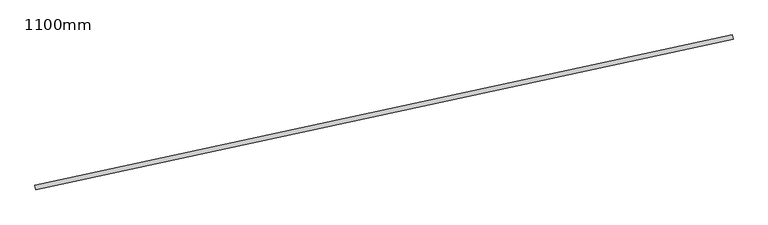
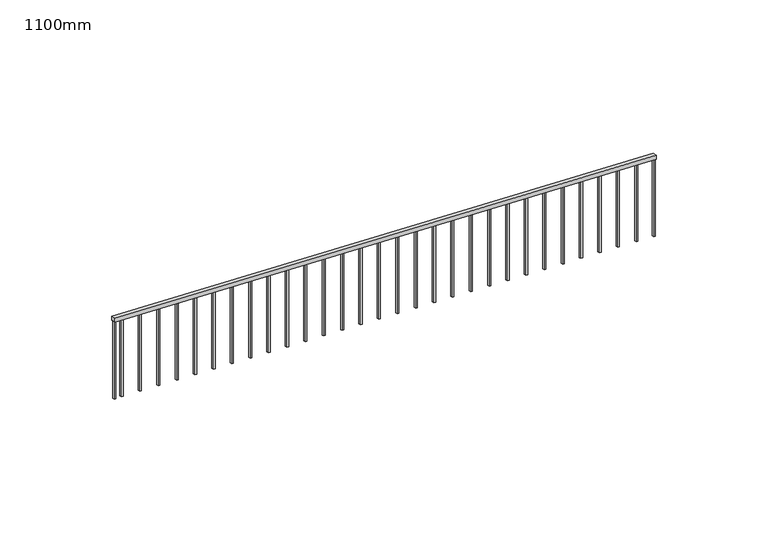
"""IFC4 building model written with IfcOpenShell, lengths in millimetres: railing geometry, 1100mm."""

import ifcopenshell
import ifcopenshell.guid

model = None  # the IFC model being written
_history = None  # IfcOwnerHistory: only IFC2X3 demands one
_inside = {}  # id of a spatial element -> (the spatial element, [elements in it])
_under = {}  # id of a project, library or spatial element -> (it, [spatial elements below it])
_declared = {}  # id of a project -> (the project, [libraries it declares])
_typed = {}  # id of a type object -> (the type object, [elements of that type])
_made_of = {}  # id of a material, layer set ... -> (it, [elements and type objects made of it])


def new_model(schema):
    """Start an empty IFC model of exactly this schema.

    Asked for "IFC4X3", IfcOpenShell would pick the latest addendum, in which some entities
    have other attributes; the version numbers below select the first issue.
    IFC2X3 requires an IfcOwnerHistory on every rooted entity: one is made here for all.
    """
    global model, _history
    if schema == "IFC4X3":
        model = ifcopenshell.file(schema_version=(4, 3, 0, 0))
    else:
        model = ifcopenshell.file(schema=schema)
    _inside.clear()
    _under.clear()
    _declared.clear()
    _typed.clear()
    _made_of.clear()
    _history = None
    if model.schema == "IFC2X3":
        org = make("IfcOrganization", Name="unknown")
        user = make(
            "IfcPersonAndOrganization",
            ThePerson=make("IfcPerson", FamilyName="unknown"),
            TheOrganization=org,
        )
        app = make(
            "IfcApplication",
            ApplicationDeveloper=org,
            Version="unknown",
            ApplicationFullName="unknown",
            ApplicationIdentifier="unknown",
        )
        _history = make(
            "IfcOwnerHistory",
            OwningUser=user,
            OwningApplication=app,
            ChangeAction="ADDED",
            CreationDate=0,
        )
    return model


def make(cls, **values):
    """One entity of the class cls with the attributes given. An attribute that is None is left unset."""
    return model.create_entity(
        cls, **{name: value for name, value in values.items() if value is not None}
    )


def rooted(cls, **values):
    """An entity with a GlobalId (a new one), such as an element, a storey or a relation."""
    return make(cls, GlobalId=ifcopenshell.guid.new(), OwnerHistory=_history, **values)


def si_unit(unit_type, name, prefix=None):
    """IfcSIUnit, for example si_unit("LENGTHUNIT", "METRE", prefix="MILLI")."""
    return make("IfcSIUnit", UnitType=unit_type, Prefix=prefix, Name=name)


def assignment(units):
    """IfcUnitAssignment: the units of a project."""
    return None if units is None else make("IfcUnitAssignment", Units=units)


def point(xyz):
    """IfcCartesianPoint."""
    return None if xyz is None else make("IfcCartesianPoint", Coordinates=xyz)


def direction(xyz):
    """IfcDirection."""
    return None if xyz is None else make("IfcDirection", DirectionRatios=xyz)


def frame(location, z_axis=None, x_axis=None):
    """IfcAxis2Placement3D, a coordinate frame: its origin and axes. An axis left out is left unset."""
    return make(
        "IfcAxis2Placement3D",
        Location=point(location),
        Axis=direction(z_axis),
        RefDirection=direction(x_axis),
    )


def origin():
    """The frame at (0, 0, 0) with its axes left unset."""
    return frame((0.0, 0.0, 0.0))


def place(relative_to, where):
    """IfcLocalPlacement: puts the frame where relative to a parent placement (None: the world)."""
    return make(
        "IfcLocalPlacement", PlacementRelTo=relative_to, RelativePlacement=where
    )


def context(
    kind, dimensions, precision=None, world=None, true_north=None, identifier=None
):
    """IfcGeometricRepresentationContext, for example the 3D "Model" context."""
    return make(
        "IfcGeometricRepresentationContext",
        ContextIdentifier=identifier,
        ContextType=kind,
        CoordinateSpaceDimension=dimensions,
        Precision=precision,
        WorldCoordinateSystem=world,
        TrueNorth=true_north,
    )


def project(units=None, contexts=None):
    """IfcProject with its units and contexts."""
    return rooted(
        "IfcProject",
        Name="project",
        RepresentationContexts=contexts,
        UnitsInContext=assignment(units),
    )


def spatial(cls, under=None, at=None, **own):
    """A site, building, storey or space (cls), placed at a placement, below another one or the project."""
    s = rooted(cls, ObjectPlacement=at, **own)
    if under is not None:
        _under.setdefault(under.id(), (under, []))[1].append(s)
    return s


def polyline(points):
    """IfcPolyline through the points."""
    return make("IfcPolyline", Points=[point(p) for p in points])


def outline(outer, holes=None, kind="AREA"):
    """IfcArbitraryClosedProfileDef: a profile drawn as a closed curve; with holes, ...WithVoids."""
    if holes is None:
        return make("IfcArbitraryClosedProfileDef", ProfileType=kind, OuterCurve=outer)
    return make(
        "IfcArbitraryProfileDefWithVoids",
        ProfileType=kind,
        OuterCurve=outer,
        InnerCurves=holes,
    )


def extrude(swept, where, along, depth):
    """IfcExtrudedAreaSolid: the profile swept, set in the frame where, extruded along a direction by depth."""
    return make(
        "IfcExtrudedAreaSolid",
        SweptArea=swept,
        Position=where,
        ExtrudedDirection=direction(along),
        Depth=depth,
    )


def shape(context_of_items, identifier, shape_type, items):
    """IfcShapeRepresentation: the items that make up one representation, for example the "Body"."""
    return make(
        "IfcShapeRepresentation",
        ContextOfItems=context_of_items,
        RepresentationIdentifier=identifier,
        RepresentationType=shape_type,
        Items=items,
    )


def source(mapping_origin, context_of_items, identifier, shape_type, items):
    """IfcRepresentationMap: a shape defined once, which mapped items show again and again."""
    return make(
        "IfcRepresentationMap",
        MappingOrigin=mapping_origin,
        MappedRepresentation=shape(context_of_items, identifier, shape_type, items),
    )


def transform(
    local_origin,
    x_axis=None,
    y_axis=None,
    z_axis=None,
    scale=None,
    scale2=None,
    scale3=None,
    uniform=True,
):
    """IfcCartesianTransformationOperator3D, or its non-uniform kind. x_axis, y_axis, z_axis: its Axis1, 2, 3."""
    if uniform:
        return make(
            "IfcCartesianTransformationOperator3D",
            Axis1=direction(x_axis),
            Axis2=direction(y_axis),
            LocalOrigin=point(local_origin),
            Scale=scale,
            Axis3=direction(z_axis),
        )
    return make(
        "IfcCartesianTransformationOperator3DnonUniform",
        Axis1=direction(x_axis),
        Axis2=direction(y_axis),
        LocalOrigin=point(local_origin),
        Scale=scale,
        Axis3=direction(z_axis),
        Scale2=scale2,
        Scale3=scale3,
    )


def mapped(mapping_source, mapping_target):
    """IfcMappedItem: shows the shape of a source again, moved by a transform."""
    return make(
        "IfcMappedItem", MappingSource=mapping_source, MappingTarget=mapping_target
    )


def made_of(thing, what):
    """Note that an element or type object is made of a material, layer set ...; save() writes the relation."""
    if what is not None:
        _made_of.setdefault(what.id(), (what, []))[1].append(thing)
    return thing


def element(
    cls,
    number,
    at=None,
    inside=None,
    cuts=None,
    type_object=None,
    material=None,
    context=None,
    identifier="Body",
    shape_type=None,
    held_by="IfcProductDefinitionShape",
    body=None,
    shapes=None,
    **own,
):
    """One element of the class cls, such as IfcWall. Its Tag is "e" and its number.

    at: its placement. inside: the storey or other place that contains it. cuts: it is an
    opening in that element (IfcRelVoidsElement). A single representation is given by context,
    identifier, shape_type and body (its items); several are given by shapes. held_by: the class
    of the entity that holds the representations. save() writes the other relations.
    """
    e = rooted(cls, Tag="e%d" % number, ObjectPlacement=at, **own)
    if body is not None:
        shapes = [shape(context, identifier, shape_type, body)]
    if shapes is not None:
        e.Representation = make(held_by, Representations=shapes)
    if inside is not None:
        _inside.setdefault(inside.id(), (inside, []))[1].append(e)
    if cuts is not None:
        rooted(
            "IfcRelVoidsElement", RelatingBuildingElement=cuts, RelatedOpeningElement=e
        )
    if type_object is not None:
        _typed.setdefault(type_object.id(), (type_object, []))[1].append(e)
    return made_of(e, material)


def aggregate(whole, parts):
    """IfcRelAggregates: a whole, such as a stair, and the parts it consists of."""
    return rooted("IfcRelAggregates", RelatingObject=whole, RelatedObjects=parts)


def save(model, path):
    """Write the relations noted so far, then the file.

    IfcRelAggregates (storeys below a building ...), IfcRelContainedInSpatialStructure (elements
    in a storey), IfcRelDefinesByType, IfcRelAssociatesMaterial and IfcRelDeclares: one each for
    every whole, place, type object, material and project.
    """
    for whole, parts in _under.values():
        aggregate(whole, parts)
    for where, things in _inside.values():
        rooted(
            "IfcRelContainedInSpatialStructure",
            RelatedElements=things,
            RelatingStructure=where,
        )
    for kind, things in _typed.values():
        rooted("IfcRelDefinesByType", RelatedObjects=things, RelatingType=kind)
    for what, things in _made_of.values():
        rooted("IfcRelAssociatesMaterial", RelatedObjects=things, RelatingMaterial=what)
    for by, libraries in _declared.values():
        rooted("IfcRelDeclares", RelatingContext=by, RelatedDefinitions=libraries)
    model.write(path)


def railing_1100mm_6fff1bbd(model_context):
    return source(origin(), model_context, "Body", "SweptSolid", [
        extrude(outline(polyline([(-9.8811033, -50.0), (0.0, 0.0), (8252.845352, 0.0), (8242.9642487, -50.0), (-9.8811033, -50.0)])), frame((18748.9415188, -108276.2511902, 1100.0), z_axis=(-0.2108447113192484, 0.9775195689645823, 0.0), x_axis=(-0.9589728250154597, -0.20684429741653046, 0.19387252901876165)), (0.0, 0.0, 1.0), 50.0),
        extrude(outline(polyline([(102.4702758, 0.0), (97.5297242, 25.0), (1146.5627132, 25.0), (1151.5032649, 0.0), (102.4702758, 0.0)])), frame((10962.806392, -109942.8832095, 2725.0689661), z_axis=(-0.21084471131924798, 0.9775195689645826, 0.0), x_axis=(0.0, 0.0, -1.0)), (0.0, 0.0, 1.0), 25.0),
        extrude(outline(polyline([(102.4702758, 0.0), (97.5297241, 25.0), (1146.5627132, 25.0), (1151.5032649, 0.0), (102.4702758, 0.0)])), frame((11231.6242735, -109884.9009138, 2670.7228979), z_axis=(-0.21084471131924798, 0.9775195689645826, 0.0), x_axis=(0.0, 0.0, -1.0)), (0.0, 0.0, 1.0), 25.0),
        extrude(outline(polyline([(102.4702759, 0.0), (97.5297242, 25.0000001), (1146.5627133, 25.0000001), (1151.5032649, 0.0), (102.4702759, 0.0)])), frame((11500.442155, -109826.9186182, 2616.3768298), z_axis=(-0.21084471131924798, 0.9775195689645826, 0.0), x_axis=(0.0, 0.0, -1.0)), (0.0, 0.0, 1.0), 25.0),
        extrude(outline(polyline([(102.4702758, 0.0), (97.5297242, 25.0), (1146.5627133, 25.0), (1151.5032649, 0.0), (102.4702758, 0.0)])), frame((11769.2600364, -109768.9363226, 2562.0307616), z_axis=(-0.21084471131924798, 0.9775195689645826, 0.0), x_axis=(0.0, 0.0, -1.0)), (0.0, 0.0, 1.0), 25.0),
        extrude(outline(polyline([(102.4702758, 0.0), (97.5297242, 25.0), (1146.5627132, 25.0), (1151.5032649, 0.0), (102.4702758, 0.0)])), frame((12038.0779179, -109710.954027, 2507.6846934), z_axis=(-0.21084471131924798, 0.9775195689645826, 0.0), x_axis=(0.0, 0.0, -1.0)), (0.0, 0.0, 1.0), 25.0),
        extrude(outline(polyline([(102.4702758, 0.0), (97.5297241, 25.0000001), (1146.5627132, 25.0000001), (1151.5032649, 0.0), (102.4702758, 0.0)])), frame((12306.8957994, -109652.9717314, 2453.3386252), z_axis=(-0.21084471131924798, 0.9775195689645826, 0.0), x_axis=(0.0, 0.0, -1.0)), (0.0, 0.0, 1.0), 25.0),
        extrude(outline(polyline([(102.4702759, 0.0), (97.5297242, 25.0), (1146.5627133, 25.0), (1151.5032649, 0.0), (102.4702759, 0.0)])), frame((12575.7136808, -109594.9894358, 2398.9925571), z_axis=(-0.21084471131924798, 0.9775195689645826, 0.0), x_axis=(0.0, 0.0, -1.0)), (0.0, 0.0, 1.0), 25.0),
        extrude(outline(polyline([(102.4702758, 0.0), (97.5297242, 25.0), (1146.5627132, 25.0), (1151.5032649, 0.0), (102.4702758, 0.0)])), frame((12844.5315623, -109537.0071402, 2344.6464889), z_axis=(-0.21084471131924798, 0.9775195689645826, 0.0), x_axis=(0.0, 0.0, -1.0)), (0.0, 0.0, 1.0), 25.0),
        extrude(outline(polyline([(102.4702758, 0.0), (97.5297241, 25.0000001), (1146.5627132, 25.0000001), (1151.5032649, 0.0), (102.4702758, 0.0)])), frame((13113.3494438, -109479.0248446, 2290.3004207), z_axis=(-0.21084471131924798, 0.9775195689645826, 0.0), x_axis=(0.0, 0.0, -1.0)), (0.0, 0.0, 1.0), 25.0),
        extrude(outline(polyline([(102.4702759, 0.0), (97.5297242, 25.0), (1146.5627133, 25.0), (1151.5032649, 0.0), (102.4702759, 0.0)])), frame((13382.1673252, -109421.0425489, 2235.9543526), z_axis=(-0.21084471131924798, 0.9775195689645826, 0.0), x_axis=(0.0, 0.0, -1.0)), (0.0, 0.0, 1.0), 25.0),
        extrude(outline(polyline([(102.4702758, 0.0), (97.5297242, 25.0), (1146.5627133, 25.0), (1151.5032649, 0.0), (102.4702758, 0.0)])), frame((13650.9852067, -109363.0602533, 2181.6082844), z_axis=(-0.21084471131924798, 0.9775195689645826, 0.0), x_axis=(0.0, 0.0, -1.0)), (0.0, 0.0, 1.0), 25.0),
        extrude(outline(polyline([(102.4702758, 0.0), (97.5297242, 25.0000001), (1146.5627132, 25.0000001), (1151.5032649, 0.0), (102.4702758, 0.0)])), frame((13919.8030882, -109305.0779577, 2127.2622162), z_axis=(-0.21084471131924798, 0.9775195689645826, 0.0), x_axis=(0.0, 0.0, -1.0)), (0.0, 0.0, 1.0), 25.0),
        extrude(outline(polyline([(102.4702758, 0.0), (97.5297241, 25.0), (1146.5627132, 25.0), (1151.5032649, 0.0), (102.4702758, 0.0)])), frame((14188.6209696, -109247.0956621, 2072.916148), z_axis=(-0.21084471131924798, 0.9775195689645826, 0.0), x_axis=(0.0, 0.0, -1.0)), (0.0, 0.0, 1.0), 25.0),
        extrude(outline(polyline([(102.4702759, 0.0), (97.5297242, 25.0), (1146.5627133, 25.0), (1151.5032649, 0.0), (102.4702759, 0.0)])), frame((14457.4388511, -109189.1133665, 2018.5700799), z_axis=(-0.21084471131924798, 0.9775195689645826, 0.0), x_axis=(0.0, 0.0, -1.0)), (0.0, 0.0, 1.0), 25.0),
        extrude(outline(polyline([(102.4702758, 0.0), (97.5297242, 25.0000001), (1146.5627133, 25.0000001), (1151.5032649, 0.0), (102.4702758, 0.0)])), frame((14726.2567326, -109131.1310709, 1964.2240117), z_axis=(-0.21084471131924798, 0.9775195689645826, 0.0), x_axis=(0.0, 0.0, -1.0)), (0.0, 0.0, 1.0), 25.0),
        extrude(outline(polyline([(102.4702758, 0.0), (97.5297242, 25.0), (1146.5627132, 25.0), (1151.5032649, 0.0), (102.4702758, 0.0)])), frame((14995.074614, -109073.1487753, 1909.8779435), z_axis=(-0.21084471131924798, 0.9775195689645826, 0.0), x_axis=(0.0, 0.0, -1.0)), (0.0, 0.0, 1.0), 25.0),
        extrude(outline(polyline([(102.4702758, 0.0), (97.5297241, 25.0), (1146.5627132, 25.0), (1151.5032649, 0.0), (102.4702758, 0.0)])), frame((15263.8924955, -109015.1664796, 1855.5318753), z_axis=(-0.21084471131924798, 0.9775195689645826, 0.0), x_axis=(0.0, 0.0, -1.0)), (0.0, 0.0, 1.0), 25.0),
        extrude(outline(polyline([(102.4702759, 0.0), (97.5297242, 25.0000001), (1146.5627133, 25.0000001), (1151.5032649, 0.0), (102.4702759, 0.0)])), frame((15532.710377, -108957.184184, 1801.1858072), z_axis=(-0.21084471131924798, 0.9775195689645826, 0.0), x_axis=(0.0, 0.0, -1.0)), (0.0, 0.0, 1.0), 25.0),
        extrude(outline(polyline([(102.4702758, 0.0), (97.5297242, 25.0), (1146.5627133, 25.0), (1151.5032649, 0.0), (102.4702758, 0.0)])), frame((15801.5282584, -108899.2018884, 1746.839739), z_axis=(-0.21084471131924798, 0.9775195689645826, 0.0), x_axis=(0.0, 0.0, -1.0)), (0.0, 0.0, 1.0), 25.0),
        extrude(outline(polyline([(102.4702758, 0.0), (97.5297242, 25.0), (1146.5627132, 25.0), (1151.5032649, 0.0), (102.4702758, 0.0)])), frame((16070.3461399, -108841.2195928, 1692.4936708), z_axis=(-0.21084471131924798, 0.9775195689645826, 0.0), x_axis=(0.0, 0.0, -1.0)), (0.0, 0.0, 1.0), 25.0),
        extrude(outline(polyline([(102.4702758, 0.0), (97.5297241, 25.0), (1146.5627132, 25.0), (1151.5032649, 0.0), (102.4702758, 0.0)])), frame((16339.1640213, -108783.2372972, 1638.1476026), z_axis=(-0.21084471131924798, 0.9775195689645826, 0.0), x_axis=(0.0, 0.0, -1.0)), (0.0, 0.0, 1.0), 25.0),
        extrude(outline(polyline([(102.4702759, 0.0), (97.5297242, 25.0), (1146.5627133, 25.0), (1151.5032649, 0.0), (102.4702759, 0.0)])), frame((16607.9819028, -108725.2550016, 1583.8015345), z_axis=(-0.21084471131924798, 0.9775195689645826, 0.0), x_axis=(0.0, 0.0, -1.0)), (0.0, 0.0, 1.0), 25.0),
        extrude(outline(polyline([(102.4702758, 0.0), (97.5297242, 25.0), (1146.5627133, 25.0), (1151.5032649, 0.0), (102.4702758, 0.0)])), frame((16876.7997843, -108667.272706, 1529.4554663), z_axis=(-0.21084471131924798, 0.9775195689645826, 0.0), x_axis=(0.0, 0.0, -1.0)), (0.0, 0.0, 1.0), 25.0),
        extrude(outline(polyline([(102.4702758, 0.0), (97.5297242, 25.0), (1146.5627132, 25.0), (1151.5032649, 0.0), (102.4702758, 0.0)])), frame((17145.6176657, -108609.2904104, 1475.1093981), z_axis=(-0.21084471131924798, 0.9775195689645826, 0.0), x_axis=(0.0, 0.0, -1.0)), (0.0, 0.0, 1.0), 25.0),
        extrude(outline(polyline([(102.4702758, 0.0), (97.5297241, 25.0), (1146.5627132, 25.0), (1151.5032649, 0.0), (102.4702758, 0.0)])), frame((17414.4355472, -108551.3081147, 1420.7633299), z_axis=(-0.21084471131924798, 0.9775195689645826, 0.0), x_axis=(0.0, 0.0, -1.0)), (0.0, 0.0, 1.0), 25.0),
        extrude(outline(polyline([(102.4702759, 0.0), (97.5297242, 25.0000001), (1146.5627133, 25.0000001), (1151.5032649, 0.0), (102.4702759, 0.0)])), frame((17683.2534287, -108493.3258191, 1366.4172618), z_axis=(-0.21084471131924798, 0.9775195689645826, 0.0), x_axis=(0.0, 0.0, -1.0)), (0.0, 0.0, 1.0), 25.0),
        extrude(outline(polyline([(102.4702758, 0.0), (97.5297242, 25.0), (1146.5627133, 25.0), (1151.5032649, 0.0), (102.4702758, 0.0)])), frame((17952.0713101, -108435.3435235, 1312.0711936), z_axis=(-0.21084471131924798, 0.9775195689645826, 0.0), x_axis=(0.0, 0.0, -1.0)), (0.0, 0.0, 1.0), 25.0),
        extrude(outline(polyline([(102.4702758, 0.0), (97.5297242, 25.0), (1146.5627132, 25.0), (1151.5032649, 0.0), (102.4702758, 0.0)])), frame((18220.8891916, -108377.3612279, 1257.7251254), z_axis=(-0.21084471131924798, 0.9775195689645826, 0.0), x_axis=(0.0, 0.0, -1.0)), (0.0, 0.0, 1.0), 25.0),
        extrude(outline(polyline([(102.4702758, 0.0), (97.5297241, 25.0000001), (1146.5627132, 25.0000001), (1151.5032649, 0.0), (102.4702758, 0.0)])), frame((18489.7070731, -108319.3789323, 1203.3790572), z_axis=(-0.21084471131924798, 0.9775195689645826, 0.0), x_axis=(0.0, 0.0, -1.0)), (0.0, 0.0, 1.0), 25.0),
        extrude(outline(polyline([(102.4702759, 0.0), (97.5297242, 25.0), (1146.5627133, 25.0), (1151.503265, 0.0), (102.4702759, 0.0)])), frame((10856.4895275, -109965.8150763, 2746.5627133), z_axis=(-0.21084471131924798, 0.9775195689645826, 0.0), x_axis=(0.0, 0.0, -1.0)), (0.0, 0.0, 1.0), 25.0),
        extrude(outline(polyline([(102.4702758, 0.0), (97.5297242, 25.0), (1146.5627132, 25.0), (1151.5032649, 0.0), (102.4702758, 0.0)])), frame((18746.3059599, -108264.0321956, 1151.5032649), z_axis=(-0.21084471131924798, 0.9775195689645826, 0.0), x_axis=(0.0, 0.0, -1.0)), (0.0, 0.0, 1.0), 25.0),
    ])


if __name__ == "__main__":
    model = new_model("IFC4")
    model_context = context("Model", 3, world=origin())
    ifc_project = project(units=[si_unit("LENGTHUNIT", "METRE", prefix="MILLI")], contexts=[model_context])
    site = spatial("IfcSite", under=ifc_project)
    building = spatial("IfcBuilding", under=site)
    placement = place(None, origin())
    railing_1100mm_shape = railing_1100mm_6fff1bbd(model_context)
    element("IfcRailing", 1, ObjectType="1100mm", at=placement, inside=building, context=model_context, shape_type="MappedRepresentation", body=[
        mapped(railing_1100mm_shape, transform((0.0, 0.0, 0.0), x_axis=(1.0, 0.0, 0.0), y_axis=(0.0, 1.0, 0.0), z_axis=(0.0, 0.0, 1.0))),
    ])
    save(model, "model.ifc")
